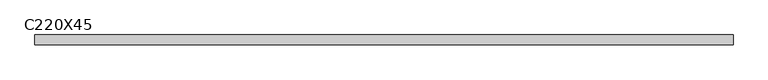
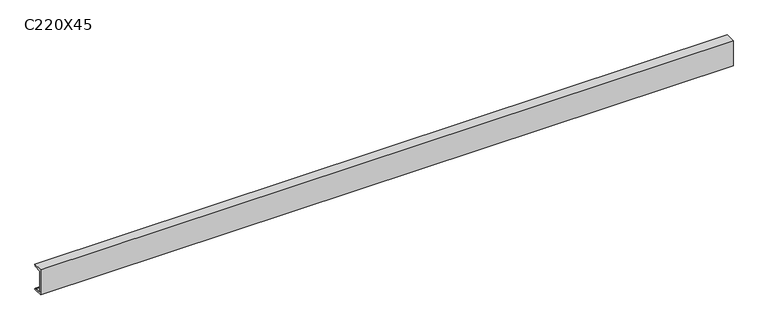
"""IFC4 building model written with IfcOpenShell, lengths in millimetres: beam geometry, C220X45."""

from ifc_helpers import new_model, si_unit, point, frame, frame_2d, origin, place, context, project, spatial, polyline, circle_curve, trimmed, segment, composite_curve, outline, extrude, source, transform, mapped, element, save


def c220x45_da7d9d93(model_context):
    return source(origin(), model_context, "Body", "SweptSolid", [
        extrude(outline(composite_curve([segment(polyline([(-17.0, 110.0), (64.0, 110.0)]), True, "CONTINUOUS"), segment(trimmed(circle_curve(frame_2d((51.0, 110.0)), 13.0), [point((64.0, 110.0))], [point((51.0, 97.0))], False, "CARTESIAN"), True, "CONTINUOUS"), segment(polyline([(51.0, 97.0), (-4.0, 88.2888558), (-4.0, -88.2888558), (51.0, -97.0)]), True, "CONTINUOUS"), segment(trimmed(circle_curve(frame_2d((51.0, -110.0)), 13.0), [point((51.0, -97.0))], [point((64.0, -110.0))], False, "CARTESIAN"), True, "CONTINUOUS"), segment(polyline([(64.0, -110.0), (-17.0, -110.0), (-17.0, 110.0)]), True, "CONTINUOUS")], self_intersect=False)), frame((-2910.5475477, 0.0, 0.0), z_axis=(1.0, 0.0, 0.0), x_axis=(0.0, 1.0, 0.0)), (0.0, 0.0, 1.0), 5753.5475477),
    ])


if __name__ == "__main__":
    model = new_model("IFC4")
    model_context = context("Model", 3, world=origin())
    ifc_project = project(units=[si_unit("LENGTHUNIT", "METRE", prefix="MILLI")], contexts=[model_context])
    site = spatial("IfcSite", under=ifc_project)
    building = spatial("IfcBuilding", under=site)
    placement = place(None, origin())
    c220x45_shape = c220x45_da7d9d93(model_context)
    element("IfcBeam", 1, ObjectType="C220X45", at=placement, inside=building, context=model_context, shape_type="MappedRepresentation", body=[
        mapped(c220x45_shape, transform((0.0, 0.0, 0.0), x_axis=(1.0, 0.0, 0.0), y_axis=(0.0, 1.0, 0.0), z_axis=(0.0, 0.0, 1.0))),
    ])
    save(model, "model.ifc")
